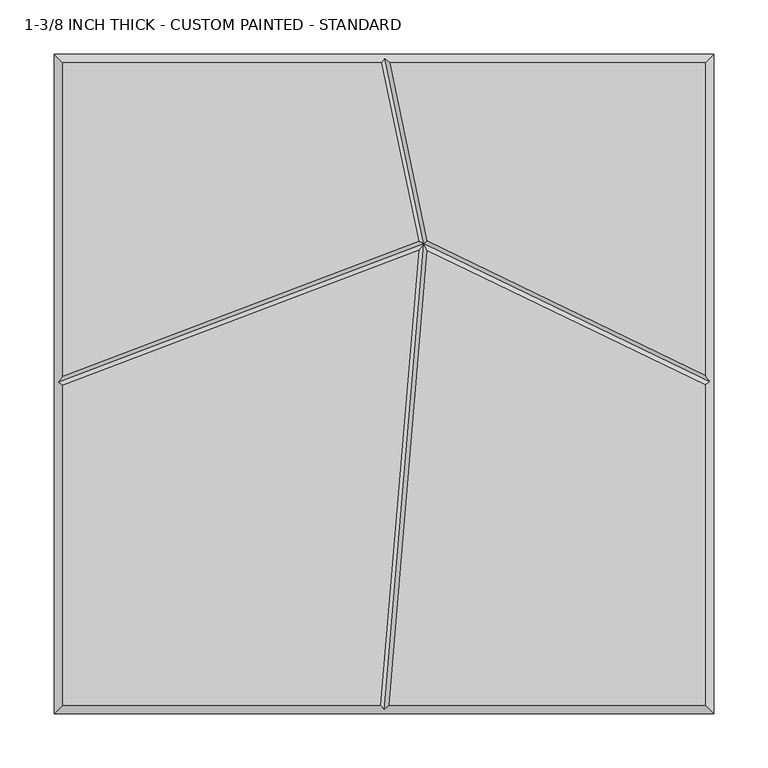
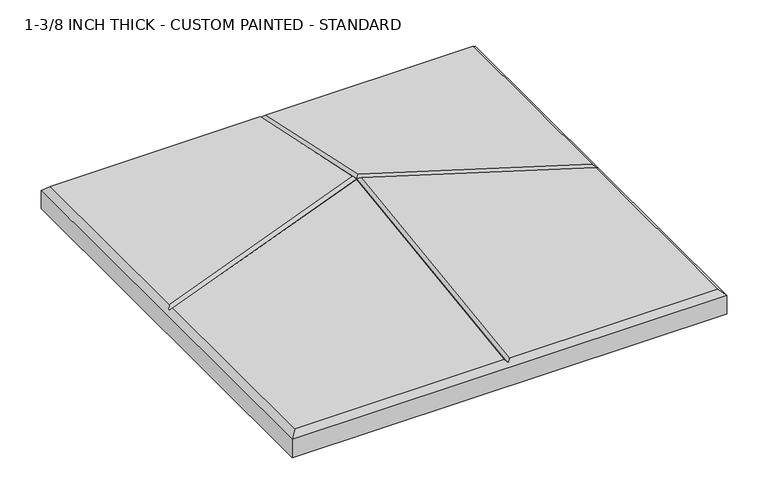
"""IFC4 building model written with IfcOpenShell, lengths in millimetres: proxy geometry, 1-3/8 INCH THICK - CUSTOM PAINTED - STANDARD."""

from ifc_helpers import new_model, si_unit, origin, place, context, project, spatial, faceted_brep, source, transform, mapped, element, save


def proxy_1_3_8_inch_thick_custom_painted_standard_d6b0cbc1(model_context):
    return source(origin(), model_context, "Body", "Brep", [
        faceted_brep([(-296.799, -1.2448936, 34.925), (-296.799, -296.799, 34.925), (-3.3400901, -296.799, 34.925), (32.0932726, 123.4506539, 34.925), (-296.799, 296.799, 34.925), (-296.799, 7.3118593, 34.925), (31.9984357, 131.9714505, 34.925), (-2.4162247, 296.799, 34.925), (296.799, -296.799, 34.925), (296.799, -0.5803511, 34.925), (40.1110006, 123.3123478, 34.925), (4.6892992, -296.799, 34.925), (296.799, 8.3038558, 34.925), (296.799, 296.799, 34.925), (5.757313, 296.799, 34.925), (40.1265394, 132.1890548, 34.925), (-304.8, 304.8, 0.0), (304.8, 304.8, 0.0), (304.8, -304.8, 0.0), (-304.8, -304.8, 0.0), (-304.8, -304.8, 26.924), (-304.8, 304.8, 26.924), (304.8, -304.8, 26.924), (304.8, 304.8, 26.924), (0.8352721, 300.7995, 30.9245), (-300.7995, 1.5167414, 30.9245), (0.3373023, -300.7995, 30.9245), (300.7995, 1.9308762, 30.9245), (36.6131869, 129.4427015, 30.9245)], [[[0, 1, 2, 3]], [[4, 5, 6, 7]], [[8, 9, 10, 11]], [[12, 13, 14, 15]], [[16, 17, 18, 19]], [[16, 19, 20, 21]], [[19, 18, 22, 20]], [[18, 17, 23, 22]], [[17, 16, 21, 23]], [[21, 4, 7, 24, 14, 13, 23]], [[4, 21, 20, 1, 0, 25, 5]], [[1, 20, 22, 8, 11, 26, 2]], [[23, 13, 12, 27, 9, 8, 22]], [[27, 28, 10, 9]], [[28, 27, 12, 15]], [[28, 25, 0, 3]], [[25, 28, 6, 5]], [[24, 28, 15, 14]], [[28, 24, 7, 6]], [[28, 26, 11, 10]], [[26, 28, 3, 2]]]),
    ])


if __name__ == "__main__":
    model = new_model("IFC4")
    model_context = context("Model", 3, world=origin())
    ifc_project = project(units=[si_unit("LENGTHUNIT", "METRE", prefix="MILLI")], contexts=[model_context])
    site = spatial("IfcSite", under=ifc_project)
    building = spatial("IfcBuilding", under=site)
    placement = place(None, origin())
    proxy_1_3_8_inch_thick_custom_painted_standard_shape = proxy_1_3_8_inch_thick_custom_painted_standard_d6b0cbc1(model_context)
    element("IfcBuildingElementProxy", 1, Name="1-3/8 INCH THICK - CUSTOM PAINTED - STANDARD", ObjectType="1-3/8 INCH THICK - CUSTOM PAINTED - STANDARD", at=placement, inside=building, context=model_context, shape_type="MappedRepresentation", body=[
        mapped(proxy_1_3_8_inch_thick_custom_painted_standard_shape, transform((0.0, 0.0, 0.0), x_axis=(1.0, 0.0, 0.0), y_axis=(0.0, 1.0, 0.0), z_axis=(0.0, 0.0, 1.0))),
    ])
    save(model, "model.ifc")
